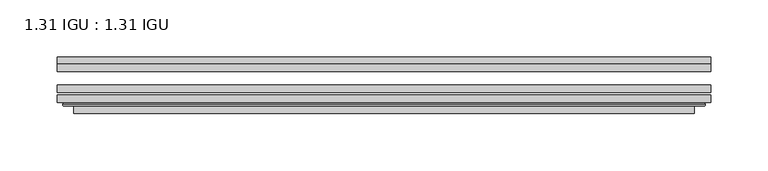
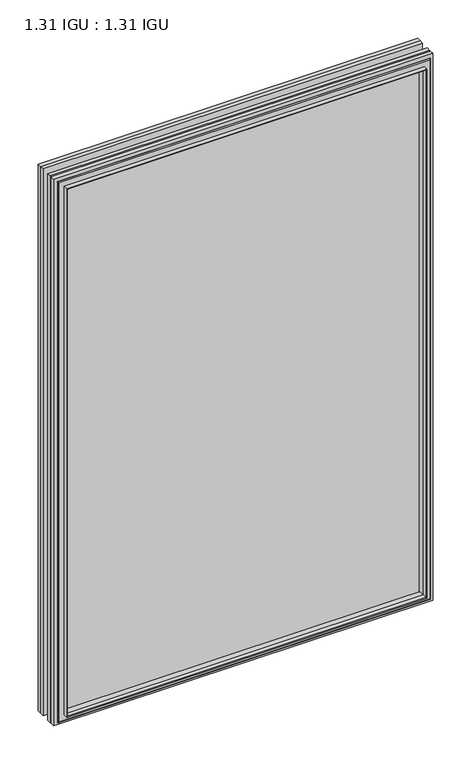
"""IFC4 building model written with IfcOpenShell, lengths in millimetres: plate geometry, 1.31 IGU : 1.31 IGU."""

from ifc_helpers import new_model, si_unit, frame, origin, place, context, project, spatial, polyline, ellipse_curve, outline, extrude, faceted_brep, source, transform, mapped, element, save
from ifc_brep_helpers import plane_surface, cylinder_surface, advanced_brep


def plate_1_31_igu_1_31_igu_674830cd(model_context):
    return source(origin(), model_context, "Body", "SolidModel", [
        extrude(outline(polyline([(285.764175, -66.4725937), (285.764175, -72.8225938), (-285.75, -72.8225938), (-285.75, -66.4725937), (285.764175, -66.4725937)])), frame((0.0, 0.0, -14.2875), z_axis=(0.0, 0.0, 1.0), x_axis=(1.0, 0.0, 0.0)), (0.0, 0.0, 1.0), 869.9537979),
        extrude(outline(polyline([(-285.75, -81.4585938), (-285.75, -75.1080887), (285.764175, -75.1080887), (285.764175, -81.4585938), (-285.75, -81.4585938)])), frame((0.0, 0.0, -14.2875), z_axis=(0.0, 0.0, 1.0), x_axis=(1.0, 0.0, 0.0)), (0.0, 0.0, 1.0), 869.9537979),
        extrude(outline(polyline([(285.764175, -48.1337937), (285.764175, -54.4837938), (-285.75, -54.4837938), (-285.75, -48.1337937), (285.764175, -48.1337937)])), frame((0.0, 0.0, -14.2875), z_axis=(0.0, 0.0, 1.0), x_axis=(1.0, 0.0, 0.0)), (0.0, 0.0, 1.0), 869.9537979),
        faceted_brep([(-271.4571902, -41.7837938, 841.3696902), (-270.5647559, -48.1337937, 840.4772559), (-270.5647559, -48.1337937, 0.8977441), (-271.4571902, -41.7837938, 0.0053098), (-285.7627, -48.1337937, 855.6752), (-285.7627, -41.7837938, 855.6752), (-285.7627, -41.7837938, -14.3002), (-285.7627, -48.1337937, -14.3002), (270.5647559, -48.1337937, 0.8977441), (271.4571902, -41.7837938, 0.0053098), (285.7627, -41.7837938, -14.3002), (285.7627, -48.1337937, -14.3002), (270.5647559, -48.1337937, 840.4772559), (271.4571902, -41.7837938, 841.3696902), (285.7627, -41.7837938, 855.6752), (285.7627, -48.1337937, 855.6752)], [[[0, 1, 2, 3]], [[4, 5, 6, 7]], [[3, 2, 8, 9]], [[7, 6, 10, 11]], [[9, 8, 12, 13]], [[11, 10, 14, 15]], [[7, 11, 15, 4], [1, 12, 8, 2]], [[13, 12, 1, 0]], [[5, 14, 10, 6], [3, 9, 13, 0]], [[15, 14, 5, 4]]]),
        advanced_brep(
        [(-279.8611349, -84.6335938, 849.7736349), (-280.8629244, -83.4482604, 850.7754244), (-280.8629244, -83.4482604, -9.4004244), (-279.8611349, -84.6335938, -8.3986349), (-271.4570784, -91.0948368, 841.3695784), (-271.4570784, -84.6335938, 841.3695784), (-271.4570784, -84.6335938, 0.0054216), (-271.4570784, -91.0948368, 0.0054216), (-270.4664217, -90.6958619, 840.3789217), (-270.4664217, -90.6958619, 0.9960783), (-269.4343939, -85.2986307, 839.3468939), (-269.4343939, -85.2986307, 2.0281061), (-264.4995621, -81.4585938, 834.4120621), (-264.4995621, -81.4585938, 6.9629379), (-278.508719, -81.4585938, 848.421219), (-278.508719, -81.4585938, -7.046219), (280.8629244, -83.4482604, -9.4004244), (279.8611349, -84.6335938, -8.3986349), (271.4570784, -84.6335938, 0.0054216), (271.4570784, -91.0948368, 0.0054216), (270.4664217, -90.6958619, 0.9960783), (269.4343939, -85.2986307, 2.0281061), (264.4995621, -81.4585938, 6.9629379), (278.508719, -81.4585938, -7.046219), (280.8629244, -83.4482604, 850.7754244), (279.8611349, -84.6335938, 849.7736349), (271.4570784, -84.6335938, 841.3695784), (271.4570784, -91.0948368, 841.3695784), (270.4664217, -90.6958619, 840.3789217), (269.4343939, -85.2986307, 839.3468939), (264.4995621, -81.4585938, 834.4120621), (278.508719, -81.4585938, 848.421219)],
        [
            (0, 1, ellipse_curve(frame((-279.8611349, -83.6175938, 849.7736349), z_axis=(-0.7071067811865475, 0.0, -0.7071067811865475), x_axis=(-0.7071067811865474, 0.0, 0.7071067811865476)), 1.436841, 1.016)),
            (1, 2),
            (2, 3, ellipse_curve(frame((-279.8611349, -83.6175938, -8.3986349), z_axis=(-0.7071067811865475, 0.0, 0.7071067811865475), x_axis=(0.7071067811865474, 0.0, 0.7071067811865476)), 1.436841, 1.016)),
            (3, 0),
            (4, 5),
            (5, 6),
            (6, 7),
            (7, 4),
            (8, 4, ellipse_curve(frame((-271.0901219, -90.5766015, 841.0026219), z_axis=(-0.7071067811865475, 0.0, -0.7071067811865475), x_axis=(-0.7071067811865474, 0.0, 0.7071067811865476)), 0.8980256, 0.635)),
            (7, 9, ellipse_curve(frame((-271.0901219, -90.5766015, 0.3723781), z_axis=(-0.7071067811865475, 0.0, 0.7071067811865475), x_axis=(0.7071067811865474, 0.0, 0.7071067811865476)), 0.8980256, 0.635)),
            (9, 8),
            (10, 8),
            (9, 11),
            (11, 10),
            (12, 10),
            (11, 13),
            (13, 12),
            (1, 14, ellipse_curve(frame((-278.508719, -83.8461938, 848.421219), z_axis=(-0.7071067811865475, 0.0, -0.7071067811865475), x_axis=(-0.7071067811865474, 0.0, 0.7071067811865476)), 3.3765763, 2.3876)),
            (14, 15),
            (15, 2, ellipse_curve(frame((-278.508719, -83.8461938, -7.046219), z_axis=(-0.7071067811865475, 0.0, 0.7071067811865475), x_axis=(0.7071067811865474, 0.0, 0.7071067811865476)), 3.3765763, 2.3876)),
            (2, 16),
            (16, 17, ellipse_curve(frame((279.8611349, -83.6175938, -8.3986349), z_axis=(-0.7071067811865475, 0.0, -0.7071067811865475), x_axis=(-0.7071067811865476, 0.0, 0.7071067811865474)), 1.436841, 1.016)),
            (17, 3),
            (6, 18),
            (18, 19),
            (19, 7),
            (19, 20, ellipse_curve(frame((271.0901219, -90.5766015, 0.3723781), z_axis=(-0.7071067811865475, 0.0, -0.7071067811865475), x_axis=(-0.7071067811865476, 0.0, 0.7071067811865474)), 0.8980256, 0.635)),
            (20, 9),
            (20, 21),
            (21, 11),
            (21, 22),
            (22, 13),
            (15, 23),
            (23, 16, ellipse_curve(frame((278.508719, -83.8461938, -7.046219), z_axis=(-0.7071067811865475, 0.0, -0.7071067811865475), x_axis=(-0.7071067811865476, 0.0, 0.7071067811865474)), 3.3765763, 2.3876)),
            (16, 24),
            (24, 25, ellipse_curve(frame((279.8611349, -83.6175938, 849.7736349), z_axis=(0.7071067811865475, 0.0, -0.7071067811865475), x_axis=(-0.7071067811865474, 0.0, -0.7071067811865476)), 1.436841, 1.016)),
            (25, 17),
            (18, 26),
            (26, 27),
            (27, 19),
            (27, 28, ellipse_curve(frame((271.0901219, -90.5766015, 841.0026219), z_axis=(0.7071067811865475, 0.0, -0.7071067811865475), x_axis=(-0.7071067811865474, 0.0, -0.7071067811865476)), 0.8980256, 0.635)),
            (28, 20),
            (28, 29),
            (29, 21),
            (29, 30),
            (30, 22),
            (23, 31),
            (31, 24, ellipse_curve(frame((278.508719, -83.8461938, 848.421219), z_axis=(0.7071067811865475, 0.0, -0.7071067811865475), x_axis=(-0.7071067811865474, 0.0, -0.7071067811865476)), 3.3765763, 2.3876)),
            (24, 1),
            (0, 25),
            (5, 26),
            (4, 27),
            (8, 28),
            (10, 29),
            (12, 30),
            (14, 31),
        ],
        [
            cylinder_surface(frame((-279.8611349, -83.6175938, 873.125), z_axis=(0.0, 0.0, 1.0), x_axis=(-1.0, 0.0, 0.0)), 1.016),
            plane_surface(frame((-271.4570784, -84.6335938, 841.3695784), z_axis=(-1.0, 0.0, 0.0), x_axis=(0.0, 0.0, -1.0))),
            cylinder_surface(frame((-271.0901219, -90.5766015, 873.125), z_axis=(0.0, 0.0, 1.0), x_axis=(-1.0, 0.0, 0.0)), 0.635),
            plane_surface(frame((-270.4664217, -90.6958619, 840.3789217), z_axis=(0.9822050625507717, -0.18781164793386754, 0.0), x_axis=(0.0, 0.0, -1.0))),
            plane_surface(frame((-269.4343939, -85.2986307, 839.3468939), z_axis=(0.6141233906514726, -0.7892100234124875, 0.0), x_axis=(0.0, 0.0, -1.0))),
            cylinder_surface(frame((-278.508719, -83.8461938, 873.125), z_axis=(0.0, 0.0, 1.0), x_axis=(-1.0, 0.0, 0.0)), 2.3876),
            cylinder_surface(frame((-303.2125, -83.6175938, -8.3986349), z_axis=(-1.0, 0.0, 0.0), x_axis=(0.0, 0.0, -1.0)), 1.016),
            plane_surface(frame((-271.4570784, -84.6335938, 0.0054216), z_axis=(0.0, 0.0, -1.0), x_axis=(1.0, 0.0, 0.0))),
            cylinder_surface(frame((-303.2125, -90.5766015, 0.3723781), z_axis=(-1.0, 0.0, 0.0), x_axis=(0.0, 0.0, -1.0)), 0.635),
            plane_surface(frame((-270.4664217, -90.6958619, 0.9960783), z_axis=(0.0, -0.18781164793386435, 0.9822050625507722), x_axis=(1.0, 0.0, 0.0))),
            plane_surface(frame((-269.4343939, -85.2986307, 2.0281061), z_axis=(0.0, -0.7892100234124855, 0.6141233906514751), x_axis=(1.0, 0.0, 0.0))),
            cylinder_surface(frame((-303.2125, -83.8461938, -7.046219), z_axis=(-1.0, 0.0, 0.0), x_axis=(0.0, 0.0, -1.0)), 2.3876),
            cylinder_surface(frame((279.8611349, -83.6175938, -31.75), z_axis=(0.0, 0.0, -1.0), x_axis=(1.0, 0.0, 0.0)), 1.016),
            plane_surface(frame((271.4570784, -84.6335938, 0.0054216), z_axis=(1.0, 0.0, 0.0), x_axis=(0.0, 0.0, 1.0))),
            cylinder_surface(frame((271.0901219, -90.5766015, -31.75), z_axis=(0.0, 0.0, -1.0), x_axis=(1.0, 0.0, 0.0)), 0.635),
            plane_surface(frame((270.4664217, -90.6958619, 0.9960783), z_axis=(-0.9822050625507728, -0.18781164793386115, 0.0), x_axis=(0.0, 0.0, 1.0))),
            plane_surface(frame((269.4343939, -85.2986307, 2.0281061), z_axis=(-0.6141233906514777, -0.7892100234124835, 0.0), x_axis=(0.0, 0.0, 1.0))),
            cylinder_surface(frame((278.508719, -83.8461938, -31.75), z_axis=(0.0, 0.0, -1.0), x_axis=(1.0, 0.0, 0.0)), 2.3876),
            cylinder_surface(frame((303.2125, -83.6175938, 849.7736349), z_axis=(1.0, 0.0, 0.0), x_axis=(0.0, 0.0, 1.0)), 1.016),
            plane_surface(frame((279.8611349, -84.6335938, 849.7736349), z_axis=(0.0, -1.0, 0.0), x_axis=(-1.0, 0.0, 0.0))),
            plane_surface(frame((271.4570784, -84.6335938, 841.3695784), z_axis=(0.0, 0.0, 1.0), x_axis=(-1.0, 0.0, 0.0))),
            cylinder_surface(frame((303.2125, -90.5766015, 841.0026219), z_axis=(1.0, 0.0, 0.0), x_axis=(0.0, 0.0, 1.0)), 0.635),
            plane_surface(frame((270.4664217, -90.6958619, 840.3789217), z_axis=(0.0, -0.18781164793386435, -0.9822050625507722), x_axis=(-1.0, 0.0, 0.0))),
            plane_surface(frame((269.4343939, -85.2986307, 839.3468939), z_axis=(0.0, -0.7892100234124855, -0.6141233906514751), x_axis=(-1.0, 0.0, 0.0))),
            plane_surface(frame((264.4995621, -81.4585938, 834.4120621), z_axis=(0.0, 1.0, 0.0), x_axis=(-1.0, 0.0, 0.0))),
            cylinder_surface(frame((303.2125, -83.8461938, 848.421219), z_axis=(1.0, 0.0, 0.0), x_axis=(0.0, 0.0, 1.0)), 2.3876),
        ],
        [
            (0, [[1, 2, 3, 4]]),
            (1, [[5, 6, 7, 8]]),
            (2, [[9, -8, 10, 11]]),
            (3, [[12, -11, 13, 14]]),
            (4, [[15, -14, 16, 17]]),
            (5, [[18, 19, 20, -2]]),
            (6, [[-3, 21, 22, 23]]),
            (7, [[-7, 24, 25, 26]]),
            (8, [[-10, -26, 27, 28]]),
            (9, [[-13, -28, 29, 30]]),
            (10, [[-16, -30, 31, 32]]),
            (11, [[-20, 33, 34, -21]]),
            (12, [[-22, 35, 36, 37]]),
            (13, [[-25, 38, 39, 40]]),
            (14, [[-27, -40, 41, 42]]),
            (15, [[-29, -42, 43, 44]]),
            (16, [[-31, -44, 45, 46]]),
            (17, [[-34, 47, 48, -35]]),
            (18, [[-36, 49, -1, 50]]),
            (19, [[-23, -37, -50, -4], [51, -38, -24, -6]]),
            (20, [[-39, -51, -5, 52]]),
            (21, [[-41, -52, -9, 53]]),
            (22, [[-43, -53, -12, 54]]),
            (23, [[-45, -54, -15, 55]]),
            (24, [[56, -47, -33, -19], [-32, -46, -55, -17]]),
            (25, [[-48, -56, -18, -49]]),
        ],
    ),
    ])


if __name__ == "__main__":
    model = new_model("IFC4")
    model_context = context("Model", 3, world=origin())
    ifc_project = project(units=[si_unit("LENGTHUNIT", "METRE", prefix="MILLI")], contexts=[model_context])
    site = spatial("IfcSite", under=ifc_project)
    building = spatial("IfcBuilding", under=site)
    placement = place(None, origin())
    plate_1_31_igu_1_31_igu_shape = plate_1_31_igu_1_31_igu_674830cd(model_context)
    element("IfcPlate", 1, ObjectType="1.31 IGU : 1.31 IGU", at=placement, inside=building, context=model_context, shape_type="MappedRepresentation", body=[
        mapped(plate_1_31_igu_1_31_igu_shape, transform((0.0, 0.0, 0.0), x_axis=(1.0, 0.0, 0.0), y_axis=(0.0, 1.0, 0.0), z_axis=(0.0, 0.0, 1.0))),
    ])
    save(model, "model.ifc")
